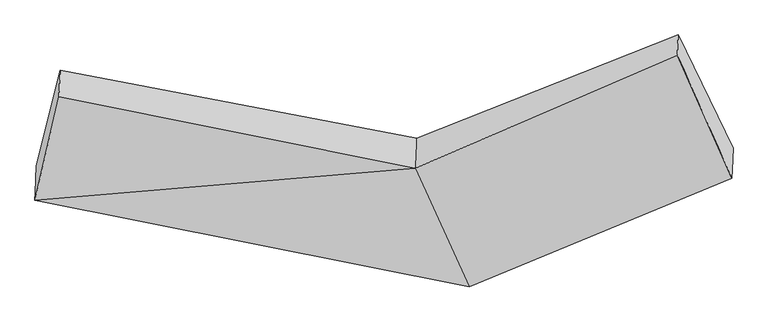
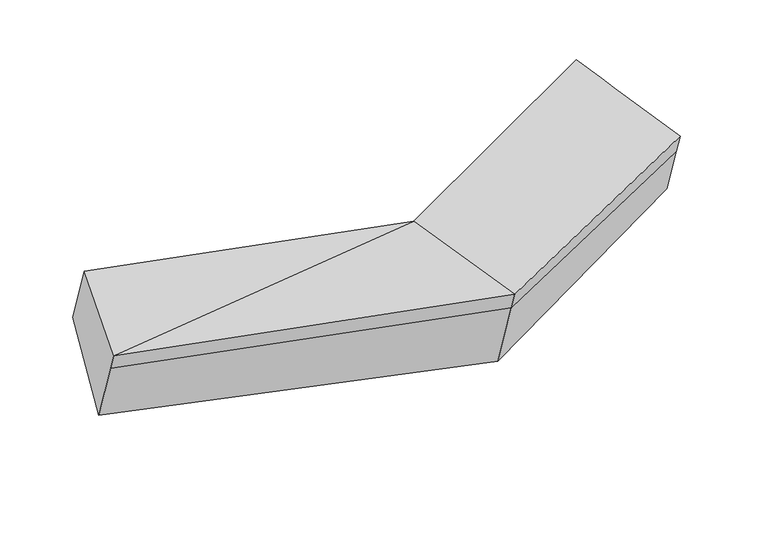
"""IFC4 building model written with IfcOpenShell, lengths in millimetres: proxy geometry."""

from ifc_helpers import new_model, si_unit, frame, origin, place, context, project, spatial, source, transform, mapped, element, save
from ifc_brep_helpers import plane_surface, spline_surface, advanced_brep


def generic_models_77fc9f84(model_context):
    return source(origin(), model_context, "Body", "AdvancedBrep", [
        advanced_brep(
        [(-2292.1435512, -1878.8162932, 2075.5657432), (-2290.0334984, -1832.4692114, 1943.4767744), (418.8996898, -2369.5381758, 1804.5187852), (416.714278, -2417.5405106, 1941.3252172), (-2142.0430226, -1234.4130749, 2304.0702806), (80.5282602, -1679.2180392, 2195.0157565), (-2134.5275999, -1069.3376282, 1833.6060209), (88.9887115, -1493.3851399, 1665.3928528), (-2282.4084802, -1664.9865094, 1466.1518482), (427.5828728, -2178.8129993, 1260.9529142), (1719.4236457, -847.7805584, 2122.0241648), (1713.7075408, -973.3341867, 2479.851425), (2053.6208124, -1740.9364974, 2215.9467821), (2056.0323013, -1687.9684039, 2064.9879606), (2062.1723583, -1553.1027145, 1680.6213696)],
        [
            (0, 1),
            (1, 2),
            (2, 3),
            (3, 0),
            (4, 0),
            (0, 5),
            (5, 4),
            (6, 4),
            (5, 7),
            (7, 6),
            (8, 6),
            (7, 9),
            (9, 8),
            (1, 8),
            (9, 2),
            (10, 11),
            (11, 12),
            (12, 13),
            (13, 14),
            (14, 10),
            (3, 5),
            (5, 11),
            (10, 7),
            (3, 12),
            (2, 13),
            (9, 14),
        ],
        [
            plane_surface(frame((-2291.0885248, -1855.6427523, 2009.5212588), z_axis=(-0.1998891081701245, -0.9235546287058516, -0.3272479063813072), x_axis=(0.015071805651401543, 0.33105058435970214, -0.9434926344542951))),
            plane_surface(frame((-2217.0932869, -1556.6146841, 2189.8180119), z_axis=(-0.019747034843577677, -0.3300547039479803, 0.9437552368155091), x_axis=(-0.2144293266690616, -0.9205760260689018, -0.32643505340487206))),
            plane_surface(frame((-2138.2853113, -1151.8753516, 2068.8381508), z_axis=(0.20084821502189762, 0.9233647094012284, 0.32719658915536187), x_axis=(-0.015071805651407805, -0.33105058435970847, 0.9434926344542928))),
            spline_surface(1, 1, [[(-2282.4084802, -1664.9865094, 1466.1518482), (427.5828728, -2178.8129993, 1260.9529142)], [(-2134.5275999, -1069.3376282, 1833.6060209), (88.9887115, -1493.3851399, 1665.3928528)]], [2, 2], [2, 2], [0.0, 1.0], [0.0, 1.0]),
            plane_surface(frame((-2286.2209893, -1748.7278604, 1704.8143113), z_axis=(-0.1998891081701241, -0.9235546287058392, -0.32724790638134266), x_axis=(0.015071805651453942, 0.33105058435972806, -0.9434926344542852))),
            plane_surface(frame((1887.2310893, -1278.7884892, 2124.6109354), z_axis=(0.9222646733008238, 0.35991835067426925, 0.1410200454872946), x_axis=(-0.015071805651428872, -0.33105058435971796, 0.9434926344542892))),
            plane_surface(frame((-2212.7806635, -1461.8883764, 1919.8484733), z_axis=(-0.976623215236387, 0.20723245600598952, 0.05711221094536368), x_axis=(-0.015071805651446358, -0.33105058435972395, 0.9434926344542868))),
            plane_surface(frame((-2292.1435512, -1878.8162932, 2075.5657432), z_axis=(-0.019466683128397194, -0.3328111809467458, 0.9427925360782249), x_axis=(0.3955129621355956, -0.8686146721717195, -0.298459458001825))),
            plane_surface(frame((84.7584859, -1586.3015895, 1930.2043047), z_axis=(-0.42195648822331216, 0.8575675580137442, 0.2941608496870268), x_axis=(-0.015071805651428872, -0.33105058435971796, 0.9434926344542892))),
            spline_surface(1, 1, [[(80.5282602, -1679.2180392, 2195.0157565), (1713.7075408, -973.3341867, 2479.851425)], [(416.714278, -2417.5405106, 1941.3252172), (2053.6208124, -1740.9364974, 2215.9467821)]], [2, 2], [2, 2], [0.0, 1.0], [0.0, 1.0]),
            plane_surface(frame((417.8069839, -2393.5393432, 1872.9220012), z_axis=(0.40688446742461304, -0.8639704022630145, -0.29664823306750693), x_axis=(0.01507180565118769, 0.33105058435962753, -0.9434926344543247))),
            plane_surface(frame((423.2412813, -2274.1755876, 1532.7358497), z_axis=(0.40688446742461276, -0.8639704022630192, -0.2966482330674941), x_axis=(0.01507180565154245, 0.3310505843597608, -0.9434926344542723))),
            spline_surface(1, 1, [[(427.5828728, -2178.8129993, 1260.9529142), (2062.1723583, -1553.1027145, 1680.6213696)], [(88.9887115, -1493.3851399, 1665.3928528), (1719.4236457, -847.7805584, 2122.0241648)]], [2, 2], [2, 2], [0.0, 1.0], [0.0, 1.0]),
        ],
        [
            (0, [[1, 2, 3, 4]]),
            (1, [[5, 6, 7]]),
            (2, [[8, -7, 9, 10]]),
            (3, [[11, -10, 12, 13]]),
            (4, [[14, -13, 15, -2]]),
            (5, [[16, 17, 18, 19, 20]]),
            (6, [[-1, -5, -8, -11, -14]]),
            (7, [[21, -6, -4]]),
            (8, [[-9, 22, -16, 23]]),
            (9, [[-21, 24, -17, -22]]),
            (10, [[-3, 25, -18, -24]]),
            (11, [[-15, 26, -19, -25]]),
            (12, [[-12, -23, -20, -26]]),
        ],
    ),
    ])


if __name__ == "__main__":
    model = new_model("IFC4")
    model_context = context("Model", 3, world=origin())
    ifc_project = project(units=[si_unit("LENGTHUNIT", "METRE", prefix="MILLI")], contexts=[model_context])
    site = spatial("IfcSite", under=ifc_project)
    building = spatial("IfcBuilding", under=site)
    placement = place(None, origin())
    generic_models_shape = generic_models_77fc9f84(model_context)
    element("IfcBuildingElementProxy", 1, Name="Generic Models", at=placement, inside=building, context=model_context, shape_type="MappedRepresentation", body=[
        mapped(generic_models_shape, transform((0.0, 0.0, 0.0), x_axis=(1.0, 0.0, 0.0), y_axis=(0.0, 1.0, 0.0), z_axis=(0.0, 0.0, 1.0))),
    ])
    save(model, "model.ifc")
